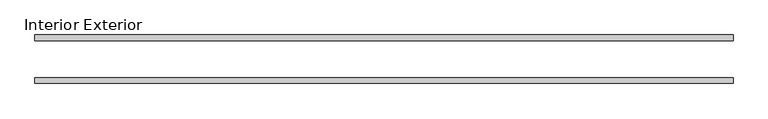
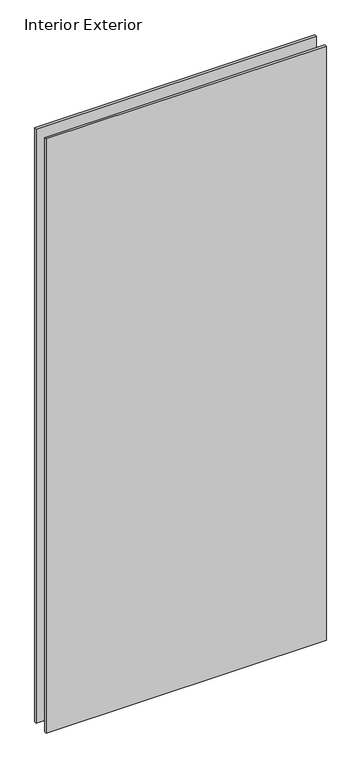
"""IFC4 building model written with IfcOpenShell, lengths in millimetres: plate geometry, Interior Exterior."""

import ifcopenshell
import ifcopenshell.guid

model = None  # the IFC model being written
_history = None  # IfcOwnerHistory: only IFC2X3 demands one
_inside = {}  # id of a spatial element -> (the spatial element, [elements in it])
_under = {}  # id of a project, library or spatial element -> (it, [spatial elements below it])
_declared = {}  # id of a project -> (the project, [libraries it declares])
_typed = {}  # id of a type object -> (the type object, [elements of that type])
_made_of = {}  # id of a material, layer set ... -> (it, [elements and type objects made of it])


def new_model(schema):
    """Start an empty IFC model of exactly this schema.

    Asked for "IFC4X3", IfcOpenShell would pick the latest addendum, in which some entities
    have other attributes; the version numbers below select the first issue.
    IFC2X3 requires an IfcOwnerHistory on every rooted entity: one is made here for all.
    """
    global model, _history
    if schema == "IFC4X3":
        model = ifcopenshell.file(schema_version=(4, 3, 0, 0))
    else:
        model = ifcopenshell.file(schema=schema)
    _inside.clear()
    _under.clear()
    _declared.clear()
    _typed.clear()
    _made_of.clear()
    _history = None
    if model.schema == "IFC2X3":
        org = make("IfcOrganization", Name="unknown")
        user = make(
            "IfcPersonAndOrganization",
            ThePerson=make("IfcPerson", FamilyName="unknown"),
            TheOrganization=org,
        )
        app = make(
            "IfcApplication",
            ApplicationDeveloper=org,
            Version="unknown",
            ApplicationFullName="unknown",
            ApplicationIdentifier="unknown",
        )
        _history = make(
            "IfcOwnerHistory",
            OwningUser=user,
            OwningApplication=app,
            ChangeAction="ADDED",
            CreationDate=0,
        )
    return model


def make(cls, **values):
    """One entity of the class cls with the attributes given. An attribute that is None is left unset."""
    return model.create_entity(
        cls, **{name: value for name, value in values.items() if value is not None}
    )


def rooted(cls, **values):
    """An entity with a GlobalId (a new one), such as an element, a storey or a relation."""
    return make(cls, GlobalId=ifcopenshell.guid.new(), OwnerHistory=_history, **values)


def si_unit(unit_type, name, prefix=None):
    """IfcSIUnit, for example si_unit("LENGTHUNIT", "METRE", prefix="MILLI")."""
    return make("IfcSIUnit", UnitType=unit_type, Prefix=prefix, Name=name)


def assignment(units):
    """IfcUnitAssignment: the units of a project."""
    return None if units is None else make("IfcUnitAssignment", Units=units)


def point(xyz):
    """IfcCartesianPoint."""
    return None if xyz is None else make("IfcCartesianPoint", Coordinates=xyz)


def direction(xyz):
    """IfcDirection."""
    return None if xyz is None else make("IfcDirection", DirectionRatios=xyz)


def frame(location, z_axis=None, x_axis=None):
    """IfcAxis2Placement3D, a coordinate frame: its origin and axes. An axis left out is left unset."""
    return make(
        "IfcAxis2Placement3D",
        Location=point(location),
        Axis=direction(z_axis),
        RefDirection=direction(x_axis),
    )


def origin():
    """The frame at (0, 0, 0) with its axes left unset."""
    return frame((0.0, 0.0, 0.0))


def place(relative_to, where):
    """IfcLocalPlacement: puts the frame where relative to a parent placement (None: the world)."""
    return make(
        "IfcLocalPlacement", PlacementRelTo=relative_to, RelativePlacement=where
    )


def context(
    kind, dimensions, precision=None, world=None, true_north=None, identifier=None
):
    """IfcGeometricRepresentationContext, for example the 3D "Model" context."""
    return make(
        "IfcGeometricRepresentationContext",
        ContextIdentifier=identifier,
        ContextType=kind,
        CoordinateSpaceDimension=dimensions,
        Precision=precision,
        WorldCoordinateSystem=world,
        TrueNorth=true_north,
    )


def project(units=None, contexts=None):
    """IfcProject with its units and contexts."""
    return rooted(
        "IfcProject",
        Name="project",
        RepresentationContexts=contexts,
        UnitsInContext=assignment(units),
    )


def spatial(cls, under=None, at=None, **own):
    """A site, building, storey or space (cls), placed at a placement, below another one or the project."""
    s = rooted(cls, ObjectPlacement=at, **own)
    if under is not None:
        _under.setdefault(under.id(), (under, []))[1].append(s)
    return s


def polyline(points):
    """IfcPolyline through the points."""
    return make("IfcPolyline", Points=[point(p) for p in points])


def outline(outer, holes=None, kind="AREA"):
    """IfcArbitraryClosedProfileDef: a profile drawn as a closed curve; with holes, ...WithVoids."""
    if holes is None:
        return make("IfcArbitraryClosedProfileDef", ProfileType=kind, OuterCurve=outer)
    return make(
        "IfcArbitraryProfileDefWithVoids",
        ProfileType=kind,
        OuterCurve=outer,
        InnerCurves=holes,
    )


def extrude(swept, where, along, depth):
    """IfcExtrudedAreaSolid: the profile swept, set in the frame where, extruded along a direction by depth."""
    return make(
        "IfcExtrudedAreaSolid",
        SweptArea=swept,
        Position=where,
        ExtrudedDirection=direction(along),
        Depth=depth,
    )


def shape(context_of_items, identifier, shape_type, items):
    """IfcShapeRepresentation: the items that make up one representation, for example the "Body"."""
    return make(
        "IfcShapeRepresentation",
        ContextOfItems=context_of_items,
        RepresentationIdentifier=identifier,
        RepresentationType=shape_type,
        Items=items,
    )


def source(mapping_origin, context_of_items, identifier, shape_type, items):
    """IfcRepresentationMap: a shape defined once, which mapped items show again and again."""
    return make(
        "IfcRepresentationMap",
        MappingOrigin=mapping_origin,
        MappedRepresentation=shape(context_of_items, identifier, shape_type, items),
    )


def transform(
    local_origin,
    x_axis=None,
    y_axis=None,
    z_axis=None,
    scale=None,
    scale2=None,
    scale3=None,
    uniform=True,
):
    """IfcCartesianTransformationOperator3D, or its non-uniform kind. x_axis, y_axis, z_axis: its Axis1, 2, 3."""
    if uniform:
        return make(
            "IfcCartesianTransformationOperator3D",
            Axis1=direction(x_axis),
            Axis2=direction(y_axis),
            LocalOrigin=point(local_origin),
            Scale=scale,
            Axis3=direction(z_axis),
        )
    return make(
        "IfcCartesianTransformationOperator3DnonUniform",
        Axis1=direction(x_axis),
        Axis2=direction(y_axis),
        LocalOrigin=point(local_origin),
        Scale=scale,
        Axis3=direction(z_axis),
        Scale2=scale2,
        Scale3=scale3,
    )


def mapped(mapping_source, mapping_target):
    """IfcMappedItem: shows the shape of a source again, moved by a transform."""
    return make(
        "IfcMappedItem", MappingSource=mapping_source, MappingTarget=mapping_target
    )


def made_of(thing, what):
    """Note that an element or type object is made of a material, layer set ...; save() writes the relation."""
    if what is not None:
        _made_of.setdefault(what.id(), (what, []))[1].append(thing)
    return thing


def element(
    cls,
    number,
    at=None,
    inside=None,
    cuts=None,
    type_object=None,
    material=None,
    context=None,
    identifier="Body",
    shape_type=None,
    held_by="IfcProductDefinitionShape",
    body=None,
    shapes=None,
    **own,
):
    """One element of the class cls, such as IfcWall. Its Tag is "e" and its number.

    at: its placement. inside: the storey or other place that contains it. cuts: it is an
    opening in that element (IfcRelVoidsElement). A single representation is given by context,
    identifier, shape_type and body (its items); several are given by shapes. held_by: the class
    of the entity that holds the representations. save() writes the other relations.
    """
    e = rooted(cls, Tag="e%d" % number, ObjectPlacement=at, **own)
    if body is not None:
        shapes = [shape(context, identifier, shape_type, body)]
    if shapes is not None:
        e.Representation = make(held_by, Representations=shapes)
    if inside is not None:
        _inside.setdefault(inside.id(), (inside, []))[1].append(e)
    if cuts is not None:
        rooted(
            "IfcRelVoidsElement", RelatingBuildingElement=cuts, RelatedOpeningElement=e
        )
    if type_object is not None:
        _typed.setdefault(type_object.id(), (type_object, []))[1].append(e)
    return made_of(e, material)


def aggregate(whole, parts):
    """IfcRelAggregates: a whole, such as a stair, and the parts it consists of."""
    return rooted("IfcRelAggregates", RelatingObject=whole, RelatedObjects=parts)


def save(model, path):
    """Write the relations noted so far, then the file.

    IfcRelAggregates (storeys below a building ...), IfcRelContainedInSpatialStructure (elements
    in a storey), IfcRelDefinesByType, IfcRelAssociatesMaterial and IfcRelDeclares: one each for
    every whole, place, type object, material and project.
    """
    for whole, parts in _under.values():
        aggregate(whole, parts)
    for where, things in _inside.values():
        rooted(
            "IfcRelContainedInSpatialStructure",
            RelatedElements=things,
            RelatingStructure=where,
        )
    for kind, things in _typed.values():
        rooted("IfcRelDefinesByType", RelatedObjects=things, RelatingType=kind)
    for what, things in _made_of.values():
        rooted("IfcRelAssociatesMaterial", RelatedObjects=things, RelatingMaterial=what)
    for by, libraries in _declared.values():
        rooted("IfcRelDeclares", RelatingContext=by, RelatedDefinitions=libraries)
    model.write(path)


def interior_exterior_42bcaab8(model_context):
    return source(origin(), model_context, "Body", "SweptSolid", [
        extrude(outline(polyline([(602.45625, -41.275), (-586.58125, -41.275), (-586.58125, -31.75), (602.45625, -31.75), (602.45625, -41.275)])), frame((0.0, 0.0, -25.4), z_axis=(0.0, 0.0, 1.0), x_axis=(1.0, 0.0, 0.0)), (0.0, 0.0, 1.0), 2663.825),
        extrude(outline(polyline([(602.45625, 41.275), (602.45625, 31.75), (-586.58125, 31.75), (-586.58125, 41.275), (602.45625, 41.275)])), frame((0.0, 0.0, -25.4), z_axis=(0.0, 0.0, 1.0), x_axis=(1.0, 0.0, 0.0)), (0.0, 0.0, 1.0), 2663.825),
    ])


if __name__ == "__main__":
    model = new_model("IFC4")
    model_context = context("Model", 3, world=origin())
    ifc_project = project(units=[si_unit("LENGTHUNIT", "METRE", prefix="MILLI")], contexts=[model_context])
    site = spatial("IfcSite", under=ifc_project)
    building = spatial("IfcBuilding", under=site)
    placement = place(None, origin())
    interior_exterior_shape = interior_exterior_42bcaab8(model_context)
    element("IfcPlate", 1, ObjectType="Interior Exterior", at=placement, inside=building, context=model_context, shape_type="MappedRepresentation", body=[
        mapped(interior_exterior_shape, transform((0.0, 0.0, 0.0), x_axis=(1.0, 0.0, 0.0), y_axis=(0.0, 1.0, 0.0), z_axis=(0.0, 0.0, 1.0))),
    ])
    save(model, "model.ifc")
